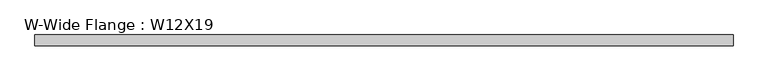
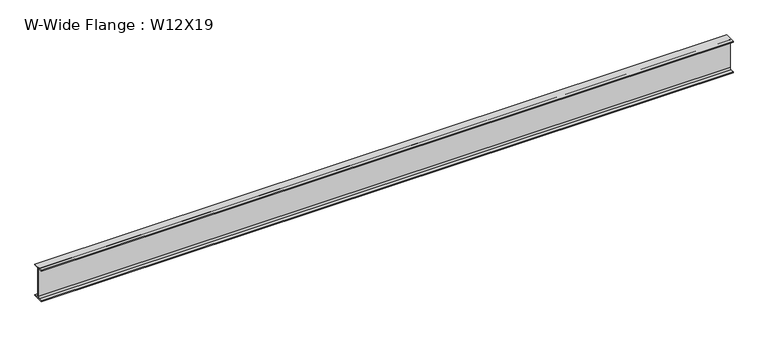
"""IFC4 building model written with IfcOpenShell, lengths in millimetres: beam geometry, W-Wide Flange : W12X19."""

from ifc_helpers import new_model, si_unit, point, frame, frame_2d, origin, place, context, project, spatial, polyline, circle_curve, trimmed, segment, composite_curve, outline, extrude, source, transform, mapped, element, save


def w_wide_flange_w12x19_04b20cb7(model_context):
    return source(origin(), model_context, "Body", "SweptSolid", [
        extrude(outline(composite_curve([segment(polyline([(50.9488281, -146.0003906), (50.9488281, -154.9300781), (-50.9488281, -154.9300781), (-50.9488281, -146.0003906), (-16.271875, -146.0003906)]), True, "CONTINUOUS"), segment(trimmed(circle_curve(frame_2d((-16.271875, -132.7050781)), 13.2953125), [point((-16.271875, -146.0003906))], [point((-2.9765625, -132.7050781))], True, "CARTESIAN"), True, "CONTINUOUS"), segment(polyline([(-2.9765625, -132.7050781), (-2.9765625, 132.7050781)]), True, "CONTINUOUS"), segment(trimmed(circle_curve(frame_2d((-16.271875, 132.7050781)), 13.2953125), [point((-2.9765625, 132.7050781))], [point((-16.271875, 146.0003906))], True, "CARTESIAN"), True, "CONTINUOUS"), segment(polyline([(-16.271875, 146.0003906), (-50.9488281, 146.0003906), (-50.9488281, 154.9300781), (50.9488281, 154.9300781), (50.9488281, 146.0003906), (16.271875, 146.0003906)]), True, "CONTINUOUS"), segment(trimmed(circle_curve(frame_2d((16.271875, 132.7050781)), 13.2953125), [point((16.271875, 146.0003906))], [point((2.9765625, 132.7050781))], True, "CARTESIAN"), True, "CONTINUOUS"), segment(polyline([(2.9765625, 132.7050781), (2.9765625, -132.7050781)]), True, "CONTINUOUS"), segment(trimmed(circle_curve(frame_2d((16.271875, -132.7050781)), 13.2953125), [point((2.9765625, -132.7050781))], [point((16.271875, -146.0003906))], True, "CARTESIAN"), True, "CONTINUOUS"), segment(polyline([(16.271875, -146.0003906), (50.9488281, -146.0003906)]), True, "CONTINUOUS")], self_intersect=False)), frame((-3251.2, 0.0, 0.0), z_axis=(1.0, 0.0, 0.0), x_axis=(0.0, 1.0, 0.0)), (0.0, 0.0, 1.0), 6460.8769531),
    ])


if __name__ == "__main__":
    model = new_model("IFC4")
    model_context = context("Model", 3, world=origin())
    ifc_project = project(units=[si_unit("LENGTHUNIT", "METRE", prefix="MILLI")], contexts=[model_context])
    site = spatial("IfcSite", under=ifc_project)
    building = spatial("IfcBuilding", under=site)
    placement = place(None, origin())
    w_wide_flange_w12x19_shape = w_wide_flange_w12x19_04b20cb7(model_context)
    element("IfcBeam", 1, ObjectType="W-Wide Flange : W12X19", at=placement, inside=building, context=model_context, shape_type="MappedRepresentation", body=[
        mapped(w_wide_flange_w12x19_shape, transform((0.0, 0.0, 0.0), x_axis=(1.0, 0.0, 0.0), y_axis=(0.0, 1.0, 0.0), z_axis=(0.0, 0.0, 1.0))),
    ])
    save(model, "model.ifc")
